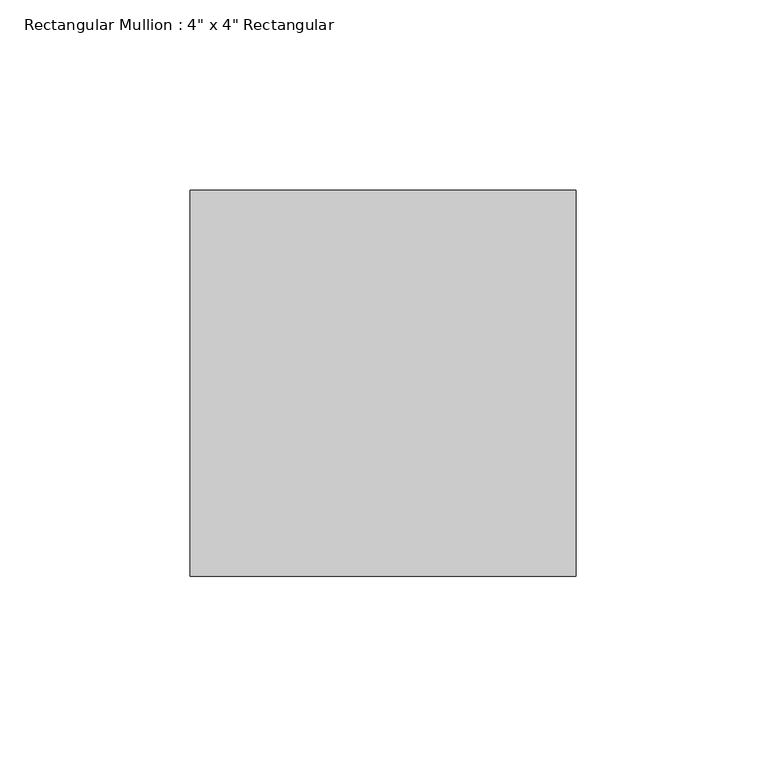
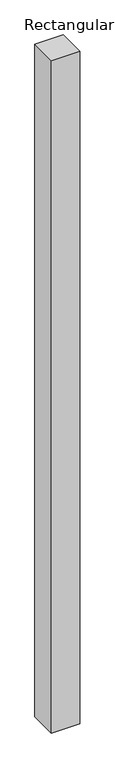
"""IFC4 building model written with IfcOpenShell, lengths in millimetres: member geometry."""

from ifc_helpers import new_model, si_unit, frame, origin, place, context, project, spatial, polyline, outline, extrude, source, transform, mapped, element, save


def member_3d38d17b(model_context):
    return source(origin(), model_context, "Body", "SweptSolid", [
        extrude(outline(polyline([(0.0, 50.8), (0.0, -50.8), (-101.6, -50.8), (-101.6, 50.8), (0.0, 50.8)])), frame((0.0, 0.0, -2540.0), z_axis=(0.0, 0.0, 1.0), x_axis=(1.0, 0.0, 0.0)), (0.0, 0.0, 1.0), 2540.0),
    ])


if __name__ == "__main__":
    model = new_model("IFC4")
    model_context = context("Model", 3, world=origin())
    ifc_project = project(units=[si_unit("LENGTHUNIT", "METRE", prefix="MILLI")], contexts=[model_context])
    site = spatial("IfcSite", under=ifc_project)
    building = spatial("IfcBuilding", under=site)
    placement = place(None, origin())
    member_shape = member_3d38d17b(model_context)
    element("IfcMember", 1, ObjectType="Rectangular Mullion : 4\" x 4\" Rectangular", at=placement, inside=building, context=model_context, shape_type="MappedRepresentation", body=[
        mapped(member_shape, transform((0.0, 0.0, 0.0), x_axis=(1.0, 0.0, 0.0), y_axis=(0.0, 1.0, 0.0), z_axis=(0.0, 0.0, 1.0))),
    ])
    save(model, "model.ifc")
